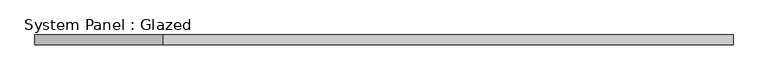
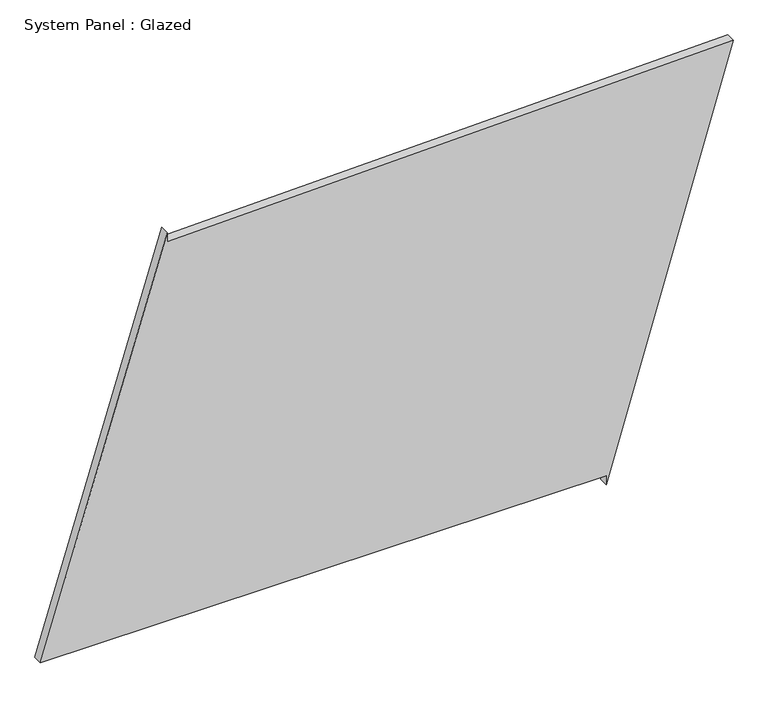
"""IFC4 building model written with IfcOpenShell, lengths in millimetres: plate geometry, System Panel : Glazed."""

from ifc_helpers import new_model, si_unit, frame, origin, place, context, project, spatial, polyline, outline, extrude, source, transform, mapped, element, save


def system_panel_glazed_9cdca610(model_context):
    return source(origin(), model_context, "Body", "SweptSolid", [
        extrude(outline(polyline([(25.0, 574.469629), (0.0, 574.469629), (1113.441516, 906.9281745), (1074.7341193, -574.5981725), (1099.7255911, -575.2511172), (25.0, -906.9281745), (25.0, 574.469629)])), frame((0.0, -49.5, 0.0), z_axis=(0.0, 1.0, 0.0), x_axis=(0.0, 0.0, 1.0)), (0.0, 0.0, 1.0), 25.0),
    ])


if __name__ == "__main__":
    model = new_model("IFC4")
    model_context = context("Model", 3, world=origin())
    ifc_project = project(units=[si_unit("LENGTHUNIT", "METRE", prefix="MILLI")], contexts=[model_context])
    site = spatial("IfcSite", under=ifc_project)
    building = spatial("IfcBuilding", under=site)
    placement = place(None, origin())
    system_panel_glazed_shape = system_panel_glazed_9cdca610(model_context)
    element("IfcPlate", 1, ObjectType="System Panel : Glazed", at=placement, inside=building, context=model_context, shape_type="MappedRepresentation", body=[
        mapped(system_panel_glazed_shape, transform((0.0, 0.0, 0.0), x_axis=(1.0, 0.0, 0.0), y_axis=(0.0, 1.0, 0.0), z_axis=(0.0, 0.0, 1.0))),
    ])
    save(model, "model.ifc")
